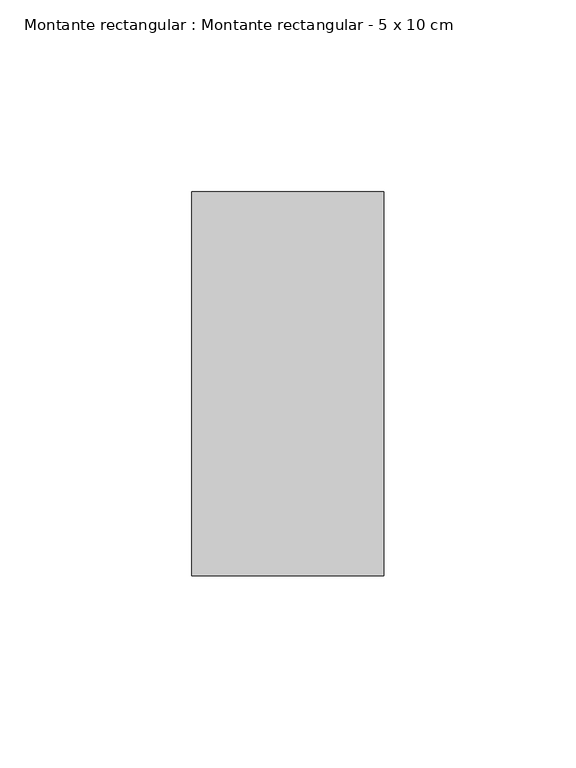
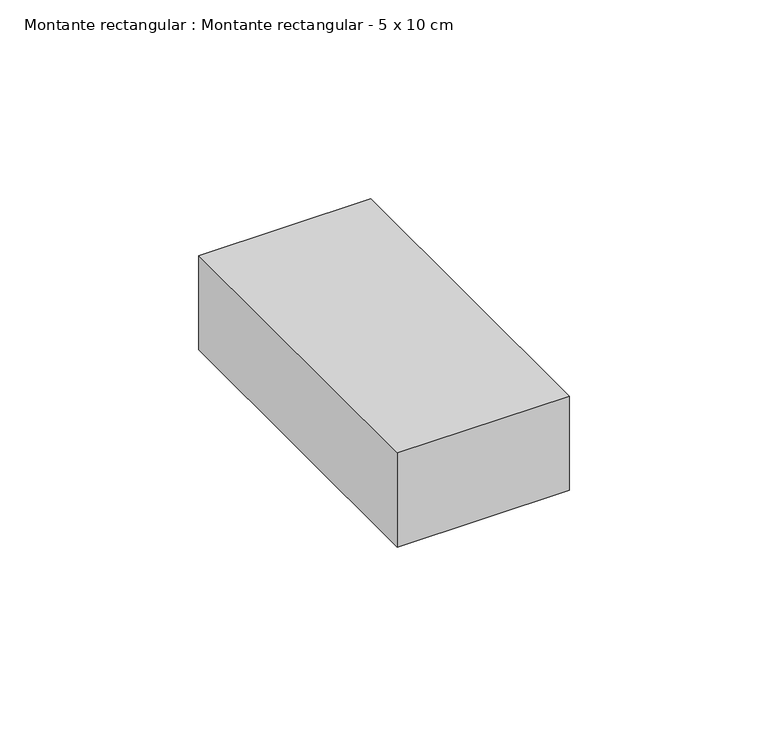
"""IFC4 building model written with IfcOpenShell, lengths in millimetres: member geometry, Montante rectangular : Montante rectangular - 5 x 10 cm."""

from ifc_helpers import new_model, si_unit, frame, origin, place, context, project, spatial, polyline, outline, extrude, source, transform, mapped, element, save


def montante_rectangular_montante_rectangular_5_x_10_cm_c5d0f425(model_context):
    return source(origin(), model_context, "Body", "SweptSolid", [
        extrude(outline(polyline([(0.0, 50.0), (0.0, -50.0), (-50.0, -50.0), (-50.0, 50.0), (0.0, 50.0)])), frame((0.0, 0.0, -28.9168221), z_axis=(0.0, 0.0, 1.0), x_axis=(1.0, 0.0, 0.0)), (0.0, 0.0, 1.0), 28.9168221),
    ])


if __name__ == "__main__":
    model = new_model("IFC4")
    model_context = context("Model", 3, world=origin())
    ifc_project = project(units=[si_unit("LENGTHUNIT", "METRE", prefix="MILLI")], contexts=[model_context])
    site = spatial("IfcSite", under=ifc_project)
    building = spatial("IfcBuilding", under=site)
    placement = place(None, origin())
    montante_rectangular_montante_rectangular_5_x_10_cm_shape = montante_rectangular_montante_rectangular_5_x_10_cm_c5d0f425(model_context)
    element("IfcMember", 1, ObjectType="Montante rectangular : Montante rectangular - 5 x 10 cm", at=placement, inside=building, context=model_context, shape_type="MappedRepresentation", body=[
        mapped(montante_rectangular_montante_rectangular_5_x_10_cm_shape, transform((0.0, 0.0, 0.0), x_axis=(1.0, 0.0, 0.0), y_axis=(0.0, 1.0, 0.0), z_axis=(0.0, 0.0, 1.0))),
    ])
    save(model, "model.ifc")
